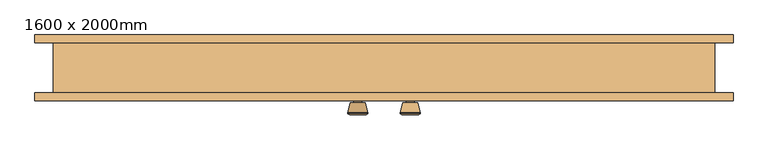
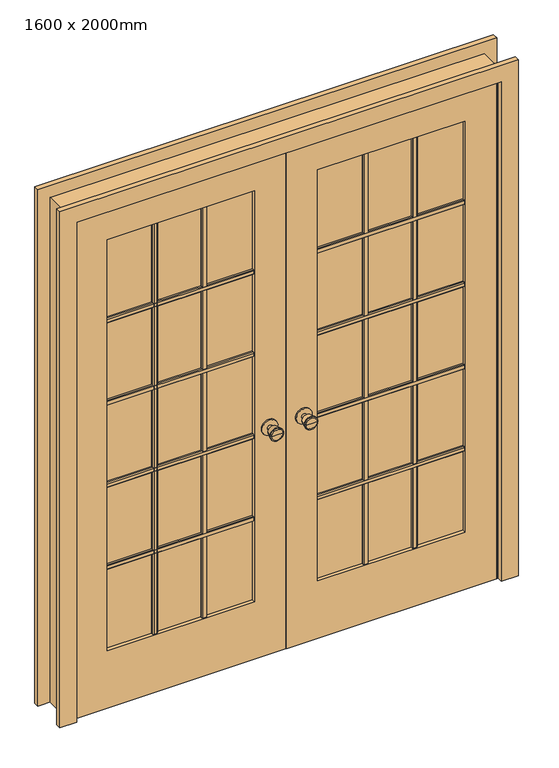
"""IFC4 building model written with IfcOpenShell, lengths in millimetres: door geometry, 1600 x 2000mm."""

from ifc_helpers import new_model, si_unit, point, frame, frame_2d, origin, place, context, project, spatial, polyline, circle_curve, trimmed, segment, composite_curve, outline, extrude, faceted_brep, source, transform, mapped, element, save
from ifc_brep_helpers import plane_surface, cylinder_surface, revolved_surface, advanced_brep


def door_1600_x_2000mm_1e679893(model_context):
    return source(origin(), model_context, "Body", "SolidModel", [
        advanced_brep(
        [(-65.0, -64.825, 914.4), (-55.0, -64.825, 914.4), (-75.0, -64.825, 914.4), (-85.4758676, -113.825, 914.4), (-44.5241324, -113.825, 914.4), (-65.0, -113.825, 914.4), (-90.0, -111.9971319, 914.4), (-40.0, -111.9971319, 914.4), (-90.0, -108.5334537, 914.4), (-40.0, -108.5334537, 914.4), (-83.636236, -83.825, 914.4), (-46.363764, -83.825, 914.4), (-75.0, -83.825, 914.4), (-55.0, -83.825, 914.4)],
        [
            (0, 1),
            (1, 2, circle_curve(frame((-65.0, -64.825, 914.4), z_axis=(0.0, 1.0, 0.0), x_axis=(1.0, 0.0, 0.0)), 10.0)),
            (2, 0),
            (2, 1, circle_curve(frame((-65.0, -64.825, 914.4), z_axis=(0.0, 1.0, 0.0), x_axis=(1.0, 0.0, 0.0)), 10.0)),
            (3, 4, circle_curve(frame((-65.0, -113.825, 914.4), z_axis=(0.0, -1.0, 0.0), x_axis=(1.0, 0.0, 0.0)), 20.4758676)),
            (4, 5),
            (5, 3),
            (4, 3, circle_curve(frame((-65.0, -113.825, 914.4), z_axis=(0.0, -1.0, 0.0), x_axis=(1.0, 0.0, 0.0)), 20.4758676)),
            (6, 7, circle_curve(frame((-65.0, -111.9971319, 914.4), z_axis=(0.0, -1.0, 0.0), x_axis=(1.0, 0.0, 0.0)), 25.0)),
            (7, 4),
            (3, 6),
            (7, 6, circle_curve(frame((-65.0, -111.9971319, 914.4), z_axis=(0.0, -1.0, 0.0), x_axis=(1.0, 0.0, 0.0)), 25.0)),
            (8, 9, circle_curve(frame((-65.0, -108.5334537, 914.4), z_axis=(0.0, -1.0, 0.0), x_axis=(1.0, 0.0, 0.0)), 25.0)),
            (9, 7),
            (6, 8),
            (9, 8, circle_curve(frame((-65.0, -108.5334537, 914.4), z_axis=(0.0, -1.0, 0.0), x_axis=(1.0, 0.0, 0.0)), 25.0)),
            (10, 11, circle_curve(frame((-65.0, -83.825, 914.4), z_axis=(0.0, -1.0, 0.0), x_axis=(1.0, 0.0, 0.0)), 18.636236)),
            (11, 9),
            (8, 10),
            (11, 10, circle_curve(frame((-65.0, -83.825, 914.4), z_axis=(0.0, -1.0, 0.0), x_axis=(1.0, 0.0, 0.0)), 18.636236)),
            (12, 13, circle_curve(frame((-65.0, -83.825, 914.4), z_axis=(0.0, -1.0, 0.0), x_axis=(1.0, 0.0, 0.0)), 10.0)),
            (13, 11),
            (10, 12),
            (13, 12, circle_curve(frame((-65.0, -83.825, 914.4), z_axis=(0.0, -1.0, 0.0), x_axis=(1.0, 0.0, 0.0)), 10.0)),
            (1, 13),
            (12, 2),
        ],
        [
            plane_surface(frame((-65.0, -64.825, 914.4), z_axis=(0.0, 1.0, 0.0), x_axis=(1.0, 0.0, 0.0))),
            plane_surface(frame((-65.0, -113.825, 914.4), z_axis=(0.0, -1.0, 0.0), x_axis=(1.0, 0.0, 0.0))),
            revolved_surface(polyline([(-44.5241324, -113.825, 914.4), (-40.0, -111.9971319, 914.4)]), (-65.0, -64.825, 914.4), (0.0, 1.0, 0.0)),
            cylinder_surface(frame((-65.0, -64.825, 914.4), z_axis=(0.0, 1.0, 0.0), x_axis=(1.0, 0.0, 0.0)), 25.0),
            revolved_surface(polyline([(-40.0, -108.5334537, 914.4), (-46.363764, -83.825, 914.4)]), (-65.0, -64.825, 914.4), (0.0, 1.0, 0.0)),
            plane_surface(frame((-65.0, -83.825, 914.4), z_axis=(0.0, 1.0, 0.0), x_axis=(1.0, 0.0, 0.0))),
            cylinder_surface(frame((-65.0, -64.825, 914.4), z_axis=(0.0, 1.0, 0.0), x_axis=(1.0, 0.0, 0.0)), 10.0),
        ],
        [
            (0, [[1, 2, 3]]),
            (0, [[-3, 4, -1]]),
            (1, [[5, 6, 7]]),
            (1, [[8, -7, -6]]),
            (2, [[9, 10, -5, 11]]),
            (2, [[12, -11, -8, -10]]),
            (3, [[13, 14, -9, 15]]),
            (3, [[16, -15, -12, -14]]),
            (4, [[17, 18, -13, 19]]),
            (4, [[20, -19, -16, -18]]),
            (5, [[21, 22, -17, 23]]),
            (5, [[24, -23, -20, -22]]),
            (6, [[-2, 25, -21, 26]]),
            (6, [[-4, -26, -24, -25]]),
        ],
    ),
        extrude(outline(composite_curve([segment(trimmed(circle_curve(frame_2d((914.4, -65.0)), 30.0), [point((914.4, -35.0))], [point((914.4, -95.0))], False, "CARTESIAN"), True, "CONTINUOUS"), segment(trimmed(circle_curve(frame_2d((914.4, -65.0)), 30.0), [point((914.4, -95.0))], [point((914.4, -35.0))], False, "CARTESIAN"), True, "CONTINUOUS")], self_intersect=False)), frame((0.0, -64.825, 0.0), z_axis=(0.0, 1.0, 0.0), x_axis=(0.0, 0.0, 1.0)), (0.0, 0.0, 1.0), 6.0),
        advanced_brep(
        [(-65.0, -17.825, 914.4), (-75.0, -17.825, 914.4), (-55.0, -17.825, 914.4), (-85.4758676, 31.175, 914.4), (-65.0, 31.175, 914.4), (-44.5241324, 31.175, 914.4), (-90.0, 29.3471319, 914.4), (-40.0, 29.3471319, 914.4), (-90.0, 25.8834537, 914.4), (-40.0, 25.8834537, 914.4), (-83.636236, 1.175, 914.4), (-46.363764, 1.175, 914.4), (-75.0, 1.175, 914.4), (-55.0, 1.175, 914.4)],
        [
            (0, 1),
            (1, 2, circle_curve(frame((-65.0, -17.825, 914.4), z_axis=(0.0, -1.0, 0.0), x_axis=(1.0, 0.0, 0.0)), 10.0)),
            (2, 0),
            (2, 1, circle_curve(frame((-65.0, -17.825, 914.4), z_axis=(0.0, -1.0, 0.0), x_axis=(1.0, 0.0, 0.0)), 10.0)),
            (3, 4),
            (4, 5),
            (5, 3, circle_curve(frame((-65.0, 31.175, 914.4), z_axis=(0.0, 1.0, 0.0), x_axis=(1.0, 0.0, 0.0)), 20.4758676)),
            (3, 5, circle_curve(frame((-65.0, 31.175, 914.4), z_axis=(0.0, 1.0, 0.0), x_axis=(1.0, 0.0, 0.0)), 20.4758676)),
            (6, 3),
            (5, 7),
            (7, 6, circle_curve(frame((-65.0, 29.3471319, 914.4), z_axis=(0.0, 1.0, 0.0), x_axis=(1.0, 0.0, 0.0)), 25.0)),
            (6, 7, circle_curve(frame((-65.0, 29.3471319, 914.4), z_axis=(0.0, 1.0, 0.0), x_axis=(1.0, 0.0, 0.0)), 25.0)),
            (8, 6),
            (7, 9),
            (9, 8, circle_curve(frame((-65.0, 25.8834537, 914.4), z_axis=(0.0, 1.0, 0.0), x_axis=(1.0, 0.0, 0.0)), 25.0)),
            (8, 9, circle_curve(frame((-65.0, 25.8834537, 914.4), z_axis=(0.0, 1.0, 0.0), x_axis=(1.0, 0.0, 0.0)), 25.0)),
            (10, 8),
            (9, 11),
            (11, 10, circle_curve(frame((-65.0, 1.175, 914.4), z_axis=(0.0, 1.0, 0.0), x_axis=(1.0, 0.0, 0.0)), 18.636236)),
            (10, 11, circle_curve(frame((-65.0, 1.175, 914.4), z_axis=(0.0, 1.0, 0.0), x_axis=(1.0, 0.0, 0.0)), 18.636236)),
            (12, 10),
            (11, 13),
            (13, 12, circle_curve(frame((-65.0, 1.175, 914.4), z_axis=(0.0, 1.0, 0.0), x_axis=(1.0, 0.0, 0.0)), 10.0)),
            (12, 13, circle_curve(frame((-65.0, 1.175, 914.4), z_axis=(0.0, 1.0, 0.0), x_axis=(1.0, 0.0, 0.0)), 10.0)),
            (1, 12),
            (13, 2),
        ],
        [
            plane_surface(frame((-65.0, -17.825, 914.4), z_axis=(0.0, -1.0, 0.0), x_axis=(1.0, 0.0, 0.0))),
            plane_surface(frame((-65.0, 31.175, 914.4), z_axis=(0.0, 1.0, 0.0), x_axis=(1.0, 0.0, 0.0))),
            revolved_surface(polyline([(-44.5241324, 31.175, 914.4), (-40.0, 29.3471319, 914.4)]), (-65.0, -17.825, 914.4), (0.0, -1.0, 0.0)),
            cylinder_surface(frame((-65.0, -17.825, 914.4), z_axis=(0.0, -1.0, 0.0), x_axis=(1.0, 0.0, 0.0)), 25.0),
            revolved_surface(polyline([(-40.0, 25.8834537, 914.4), (-46.363764, 1.175, 914.4)]), (-65.0, -17.825, 914.4), (0.0, -1.0, 0.0)),
            plane_surface(frame((-65.0, 1.175, 914.4), z_axis=(0.0, -1.0, 0.0), x_axis=(1.0, 0.0, 0.0))),
            cylinder_surface(frame((-65.0, -17.825, 914.4), z_axis=(0.0, -1.0, 0.0), x_axis=(1.0, 0.0, 0.0)), 10.0),
        ],
        [
            (0, [[1, 2, 3]]),
            (0, [[-3, 4, -1]]),
            (1, [[5, 6, 7]]),
            (1, [[-6, -5, 8]]),
            (2, [[9, -7, 10, 11]]),
            (2, [[-10, -8, -9, 12]]),
            (3, [[13, -11, 14, 15]]),
            (3, [[-14, -12, -13, 16]]),
            (4, [[17, -15, 18, 19]]),
            (4, [[-18, -16, -17, 20]]),
            (5, [[21, -19, 22, 23]]),
            (5, [[-22, -20, -21, 24]]),
            (6, [[25, -23, 26, -2]]),
            (6, [[-26, -24, -25, -4]]),
        ],
    ),
        extrude(outline(composite_curve([segment(trimmed(circle_curve(frame_2d((914.4, -65.0)), 30.0), [point((914.4, -35.0))], [point((914.4, -95.0))], False, "CARTESIAN"), True, "CONTINUOUS"), segment(trimmed(circle_curve(frame_2d((914.4, -65.0)), 30.0), [point((914.4, -95.0))], [point((914.4, -35.0))], False, "CARTESIAN"), True, "CONTINUOUS")], self_intersect=False)), frame((0.0, -23.825, 0.0), z_axis=(0.0, 1.0, 0.0), x_axis=(0.0, 0.0, 1.0)), (0.0, 0.0, 1.0), 6.0),
        extrude(outline(polyline([(-37.825, 1559.525), (-31.475, 1559.525), (-28.3, 1556.35), (-28.3, 1543.65), (-31.475, 1540.475), (-37.825, 1540.475), (-37.825, 1559.525)])), frame((120.0, 0.0, 0.0), z_axis=(1.0, 0.0, 0.0), x_axis=(0.0, 1.0, 0.0)), (0.0, 0.0, 1.0), 560.0),
        extrude(outline(polyline([(-37.825, 1229.525), (-31.475, 1229.525), (-28.3, 1226.35), (-28.3, 1213.65), (-31.475, 1210.475), (-37.825, 1210.475), (-37.825, 1229.525)])), frame((120.0, 0.0, 0.0), z_axis=(1.0, 0.0, 0.0), x_axis=(0.0, 1.0, 0.0)), (0.0, 0.0, 1.0), 560.0),
        extrude(outline(polyline([(-37.825, 899.525), (-31.475, 899.525), (-28.3, 896.35), (-28.3, 883.65), (-31.475, 880.475), (-37.825, 880.475), (-37.825, 899.525)])), frame((120.0, 0.0, 0.0), z_axis=(1.0, 0.0, 0.0), x_axis=(0.0, 1.0, 0.0)), (0.0, 0.0, 1.0), 560.0),
        extrude(outline(polyline([(-37.825, 569.525), (-31.475, 569.525), (-28.3, 566.35), (-28.3, 553.65), (-31.475, 550.475), (-37.825, 550.475), (-37.825, 569.525)])), frame((120.0, 0.0, 0.0), z_axis=(1.0, 0.0, 0.0), x_axis=(0.0, 1.0, 0.0)), (0.0, 0.0, 1.0), 560.0),
        extrude(outline(polyline([(483.8083333, -37.825), (483.8083333, -31.475), (486.9833333, -28.3), (499.6833333, -28.3), (502.8583333, -31.475), (502.8583333, -37.825), (483.8083333, -37.825)])), frame((0.0, 0.0, 230.0), z_axis=(0.0, 0.0, 1.0), x_axis=(1.0, 0.0, 0.0)), (0.0, 0.0, 1.0), 1650.0),
        extrude(outline(polyline([(297.1416667, -37.825), (297.1416667, -31.475), (300.3166667, -28.3), (313.0166667, -28.3), (316.1916667, -31.475), (316.1916667, -37.825), (297.1416667, -37.825)])), frame((0.0, 0.0, 230.0), z_axis=(0.0, 0.0, 1.0), x_axis=(1.0, 0.0, 0.0)), (0.0, 0.0, 1.0), 1650.0),
        extrude(outline(polyline([(-44.825, 1559.525), (-44.825, 1540.475), (-51.175, 1540.475), (-54.35, 1543.65), (-54.35, 1556.35), (-51.175, 1559.525), (-44.825, 1559.525)])), frame((-680.0, 0.0, 0.0), z_axis=(1.0, 0.0, 0.0), x_axis=(0.0, 1.0, 0.0)), (0.0, 0.0, 1.0), 560.0),
        extrude(outline(polyline([(-44.825, 1229.525), (-44.825, 1210.475), (-51.175, 1210.475), (-54.35, 1213.65), (-54.35, 1226.35), (-51.175, 1229.525), (-44.825, 1229.525)])), frame((-680.0, 0.0, 0.0), z_axis=(1.0, 0.0, 0.0), x_axis=(0.0, 1.0, 0.0)), (0.0, 0.0, 1.0), 560.0),
        extrude(outline(polyline([(-44.825, 899.525), (-44.825, 880.475), (-51.175, 880.475), (-54.35, 883.65), (-54.35, 896.35), (-51.175, 899.525), (-44.825, 899.525)])), frame((-680.0, 0.0, 0.0), z_axis=(1.0, 0.0, 0.0), x_axis=(0.0, 1.0, 0.0)), (0.0, 0.0, 1.0), 560.0),
        extrude(outline(polyline([(-44.825, 569.525), (-44.825, 550.475), (-51.175, 550.475), (-54.35, 553.65), (-54.35, 566.35), (-51.175, 569.525), (-44.825, 569.525)])), frame((-680.0, 0.0, 0.0), z_axis=(1.0, 0.0, 0.0), x_axis=(0.0, 1.0, 0.0)), (0.0, 0.0, 1.0), 560.0),
        extrude(outline(polyline([(-316.1916667, -44.825), (-297.1416667, -44.825), (-297.1416667, -51.175), (-300.3166667, -54.35), (-313.0166667, -54.35), (-316.1916667, -51.175), (-316.1916667, -44.825)])), frame((0.0, 0.0, 230.0), z_axis=(0.0, 0.0, 1.0), x_axis=(1.0, 0.0, 0.0)), (0.0, 0.0, 1.0), 1650.0),
        extrude(outline(polyline([(-502.8583333, -44.825), (-483.8083333, -44.825), (-483.8083333, -51.175), (-486.9833333, -54.35), (-499.6833333, -54.35), (-502.8583333, -51.175), (-502.8583333, -44.825)])), frame((0.0, 0.0, 230.0), z_axis=(0.0, 0.0, 1.0), x_axis=(1.0, 0.0, 0.0)), (0.0, 0.0, 1.0), 1650.0),
        extrude(outline(polyline([(-44.825, 1559.525), (-44.825, 1540.475), (-51.175, 1540.475), (-54.35, 1543.65), (-54.35, 1556.35), (-51.175, 1559.525), (-44.825, 1559.525)])), frame((120.0, 0.0, 0.0), z_axis=(1.0, 0.0, 0.0), x_axis=(0.0, 1.0, 0.0)), (0.0, 0.0, 1.0), 560.0),
        extrude(outline(polyline([(-44.825, 1229.525), (-44.825, 1210.475), (-51.175, 1210.475), (-54.35, 1213.65), (-54.35, 1226.35), (-51.175, 1229.525), (-44.825, 1229.525)])), frame((120.0, 0.0, 0.0), z_axis=(1.0, 0.0, 0.0), x_axis=(0.0, 1.0, 0.0)), (0.0, 0.0, 1.0), 560.0),
        extrude(outline(polyline([(-44.825, 899.525), (-44.825, 880.475), (-51.175, 880.475), (-54.35, 883.65), (-54.35, 896.35), (-51.175, 899.525), (-44.825, 899.525)])), frame((120.0, 0.0, 0.0), z_axis=(1.0, 0.0, 0.0), x_axis=(0.0, 1.0, 0.0)), (0.0, 0.0, 1.0), 560.0),
        extrude(outline(polyline([(-44.825, 569.525), (-44.825, 550.475), (-51.175, 550.475), (-54.35, 553.65), (-54.35, 566.35), (-51.175, 569.525), (-44.825, 569.525)])), frame((120.0, 0.0, 0.0), z_axis=(1.0, 0.0, 0.0), x_axis=(0.0, 1.0, 0.0)), (0.0, 0.0, 1.0), 560.0),
        extrude(outline(polyline([(483.8083333, -44.825), (502.8583333, -44.825), (502.8583333, -51.175), (499.6833333, -54.35), (486.9833333, -54.35), (483.8083333, -51.175), (483.8083333, -44.825)])), frame((0.0, 0.0, 230.0), z_axis=(0.0, 0.0, 1.0), x_axis=(1.0, 0.0, 0.0)), (0.0, 0.0, 1.0), 1650.0),
        extrude(outline(polyline([(297.1416667, -44.825), (316.1916667, -44.825), (316.1916667, -51.175), (313.0166667, -54.35), (300.3166667, -54.35), (297.1416667, -51.175), (297.1416667, -44.825)])), frame((0.0, 0.0, 230.0), z_axis=(0.0, 0.0, 1.0), x_axis=(1.0, 0.0, 0.0)), (0.0, 0.0, 1.0), 1650.0),
        extrude(outline(polyline([(-37.825, 1559.525), (-31.475, 1559.525), (-28.3, 1556.35), (-28.3, 1543.65), (-31.475, 1540.475), (-37.825, 1540.475), (-37.825, 1559.525)])), frame((-680.0, 0.0, 0.0), z_axis=(1.0, 0.0, 0.0), x_axis=(0.0, 1.0, 0.0)), (0.0, 0.0, 1.0), 560.0),
        extrude(outline(polyline([(-37.825, 1229.525), (-31.475, 1229.525), (-28.3, 1226.35), (-28.3, 1213.65), (-31.475, 1210.475), (-37.825, 1210.475), (-37.825, 1229.525)])), frame((-680.0, 0.0, 0.0), z_axis=(1.0, 0.0, 0.0), x_axis=(0.0, 1.0, 0.0)), (0.0, 0.0, 1.0), 560.0),
        extrude(outline(polyline([(-37.825, 899.525), (-31.475, 899.525), (-28.3, 896.35), (-28.3, 883.65), (-31.475, 880.475), (-37.825, 880.475), (-37.825, 899.525)])), frame((-680.0, 0.0, 0.0), z_axis=(1.0, 0.0, 0.0), x_axis=(0.0, 1.0, 0.0)), (0.0, 0.0, 1.0), 560.0),
        extrude(outline(polyline([(-37.825, 569.525), (-31.475, 569.525), (-28.3, 566.35), (-28.3, 553.65), (-31.475, 550.475), (-37.825, 550.475), (-37.825, 569.525)])), frame((-680.0, 0.0, 0.0), z_axis=(1.0, 0.0, 0.0), x_axis=(0.0, 1.0, 0.0)), (0.0, 0.0, 1.0), 560.0),
        extrude(outline(polyline([(-316.1916667, -37.825), (-316.1916667, -31.475), (-313.0166667, -28.3), (-300.3166667, -28.3), (-297.1416667, -31.475), (-297.1416667, -37.825), (-316.1916667, -37.825)])), frame((0.0, 0.0, 230.0), z_axis=(0.0, 0.0, 1.0), x_axis=(1.0, 0.0, 0.0)), (0.0, 0.0, 1.0), 1650.0),
        extrude(outline(polyline([(-502.8583333, -37.825), (-502.8583333, -31.475), (-499.6833333, -28.3), (-486.9833333, -28.3), (-483.8083333, -31.475), (-483.8083333, -37.825), (-502.8583333, -37.825)])), frame((0.0, 0.0, 230.0), z_axis=(0.0, 0.0, 1.0), x_axis=(1.0, 0.0, 0.0)), (0.0, 0.0, 1.0), 1650.0),
        advanced_brep(
        [(65.0, -17.825, 914.4), (55.0, -17.825, 914.4), (75.0, -17.825, 914.4), (85.4758676, 31.175, 914.4), (44.5241324, 31.175, 914.4), (65.0, 31.175, 914.4), (90.0, 29.3471319, 914.4), (40.0, 29.3471319, 914.4), (90.0, 25.8834537, 914.4), (40.0, 25.8834537, 914.4), (83.636236, 1.175, 914.4), (46.363764, 1.175, 914.4), (75.0, 1.175, 914.4), (55.0, 1.175, 914.4)],
        [
            (0, 1),
            (1, 2, circle_curve(frame((65.0, -17.825, 914.4), z_axis=(0.0, -1.0, 0.0), x_axis=(-1.0, 0.0, 0.0)), 10.0)),
            (2, 0),
            (2, 1, circle_curve(frame((65.0, -17.825, 914.4), z_axis=(0.0, -1.0, 0.0), x_axis=(-1.0, 0.0, 0.0)), 10.0)),
            (3, 4, circle_curve(frame((65.0, 31.175, 914.4), z_axis=(0.0, 1.0, 0.0), x_axis=(-1.0, 0.0, 0.0)), 20.4758676)),
            (4, 5),
            (5, 3),
            (4, 3, circle_curve(frame((65.0, 31.175, 914.4), z_axis=(0.0, 1.0, 0.0), x_axis=(-1.0, 0.0, 0.0)), 20.4758676)),
            (6, 7, circle_curve(frame((65.0, 29.3471319, 914.4), z_axis=(0.0, 1.0, 0.0), x_axis=(-1.0, 0.0, 0.0)), 25.0)),
            (7, 4),
            (3, 6),
            (7, 6, circle_curve(frame((65.0, 29.3471319, 914.4), z_axis=(0.0, 1.0, 0.0), x_axis=(-1.0, 0.0, 0.0)), 25.0)),
            (8, 9, circle_curve(frame((65.0, 25.8834537, 914.4), z_axis=(0.0, 1.0, 0.0), x_axis=(-1.0, 0.0, 0.0)), 25.0)),
            (9, 7),
            (6, 8),
            (9, 8, circle_curve(frame((65.0, 25.8834537, 914.4), z_axis=(0.0, 1.0, 0.0), x_axis=(-1.0, 0.0, 0.0)), 25.0)),
            (10, 11, circle_curve(frame((65.0, 1.175, 914.4), z_axis=(0.0, 1.0, 0.0), x_axis=(-1.0, 0.0, 0.0)), 18.636236)),
            (11, 9),
            (8, 10),
            (11, 10, circle_curve(frame((65.0, 1.175, 914.4), z_axis=(0.0, 1.0, 0.0), x_axis=(-1.0, 0.0, 0.0)), 18.636236)),
            (12, 13, circle_curve(frame((65.0, 1.175, 914.4), z_axis=(0.0, 1.0, 0.0), x_axis=(-1.0, 0.0, 0.0)), 10.0)),
            (13, 11),
            (10, 12),
            (13, 12, circle_curve(frame((65.0, 1.175, 914.4), z_axis=(0.0, 1.0, 0.0), x_axis=(-1.0, 0.0, 0.0)), 10.0)),
            (1, 13),
            (12, 2),
        ],
        [
            plane_surface(frame((65.0, -17.825, 914.4), z_axis=(0.0, -1.0, 0.0), x_axis=(-1.0, 0.0, 0.0))),
            plane_surface(frame((65.0, 31.175, 914.4), z_axis=(0.0, 1.0, 0.0), x_axis=(-1.0, 0.0, 0.0))),
            revolved_surface(polyline([(44.5241324, 31.175, 914.4), (40.0, 29.3471319, 914.4)]), (65.0, -17.825, 914.4), (0.0, -1.0, 0.0)),
            cylinder_surface(frame((65.0, -17.825, 914.4), z_axis=(0.0, -1.0, 0.0), x_axis=(-1.0, 0.0, 0.0)), 25.0),
            revolved_surface(polyline([(40.0, 25.8834537, 914.4), (46.363764, 1.175, 914.4)]), (65.0, -17.825, 914.4), (0.0, -1.0, 0.0)),
            plane_surface(frame((65.0, 1.175, 914.4), z_axis=(0.0, -1.0, 0.0), x_axis=(-1.0, 0.0, 0.0))),
            cylinder_surface(frame((65.0, -17.825, 914.4), z_axis=(0.0, -1.0, 0.0), x_axis=(-1.0, 0.0, 0.0)), 10.0),
        ],
        [
            (0, [[1, 2, 3]]),
            (0, [[-3, 4, -1]]),
            (1, [[5, 6, 7]]),
            (1, [[8, -7, -6]]),
            (2, [[9, 10, -5, 11]]),
            (2, [[12, -11, -8, -10]]),
            (3, [[13, 14, -9, 15]]),
            (3, [[16, -15, -12, -14]]),
            (4, [[17, 18, -13, 19]]),
            (4, [[20, -19, -16, -18]]),
            (5, [[21, 22, -17, 23]]),
            (5, [[24, -23, -20, -22]]),
            (6, [[-2, 25, -21, 26]]),
            (6, [[-4, -26, -24, -25]]),
        ],
    ),
        extrude(outline(composite_curve([segment(trimmed(circle_curve(frame_2d((914.4, 65.0)), 30.0), [point((914.4, 35.0))], [point((914.4, 95.0))], False, "CARTESIAN"), True, "CONTINUOUS"), segment(trimmed(circle_curve(frame_2d((914.4, 65.0)), 30.0), [point((914.4, 95.0))], [point((914.4, 35.0))], False, "CARTESIAN"), True, "CONTINUOUS")], self_intersect=False)), frame((0.0, -23.825, 0.0), z_axis=(0.0, 1.0, 0.0), x_axis=(0.0, 0.0, 1.0)), (0.0, 0.0, 1.0), 6.0),
        advanced_brep(
        [(65.0, -64.825, 914.4), (75.0, -64.825, 914.4), (55.0, -64.825, 914.4), (85.4758676, -113.825, 914.4), (65.0, -113.825, 914.4), (44.5241324, -113.825, 914.4), (90.0, -111.9971319, 914.4), (40.0, -111.9971319, 914.4), (90.0, -108.5334537, 914.4), (40.0, -108.5334537, 914.4), (83.636236, -83.825, 914.4), (46.363764, -83.825, 914.4), (75.0, -83.825, 914.4), (55.0, -83.825, 914.4)],
        [
            (0, 1),
            (1, 2, circle_curve(frame((65.0, -64.825, 914.4), z_axis=(0.0, 1.0, 0.0), x_axis=(-1.0, 0.0, 0.0)), 10.0)),
            (2, 0),
            (2, 1, circle_curve(frame((65.0, -64.825, 914.4), z_axis=(0.0, 1.0, 0.0), x_axis=(-1.0, 0.0, 0.0)), 10.0)),
            (3, 4),
            (4, 5),
            (5, 3, circle_curve(frame((65.0, -113.825, 914.4), z_axis=(0.0, -1.0, 0.0), x_axis=(-1.0, 0.0, 0.0)), 20.4758676)),
            (3, 5, circle_curve(frame((65.0, -113.825, 914.4), z_axis=(0.0, -1.0, 0.0), x_axis=(-1.0, 0.0, 0.0)), 20.4758676)),
            (6, 3),
            (5, 7),
            (7, 6, circle_curve(frame((65.0, -111.9971319, 914.4), z_axis=(0.0, -1.0, 0.0), x_axis=(-1.0, 0.0, 0.0)), 25.0)),
            (6, 7, circle_curve(frame((65.0, -111.9971319, 914.4), z_axis=(0.0, -1.0, 0.0), x_axis=(-1.0, 0.0, 0.0)), 25.0)),
            (8, 6),
            (7, 9),
            (9, 8, circle_curve(frame((65.0, -108.5334537, 914.4), z_axis=(0.0, -1.0, 0.0), x_axis=(-1.0, 0.0, 0.0)), 25.0)),
            (8, 9, circle_curve(frame((65.0, -108.5334537, 914.4), z_axis=(0.0, -1.0, 0.0), x_axis=(-1.0, 0.0, 0.0)), 25.0)),
            (10, 8),
            (9, 11),
            (11, 10, circle_curve(frame((65.0, -83.825, 914.4), z_axis=(0.0, -1.0, 0.0), x_axis=(-1.0, 0.0, 0.0)), 18.636236)),
            (10, 11, circle_curve(frame((65.0, -83.825, 914.4), z_axis=(0.0, -1.0, 0.0), x_axis=(-1.0, 0.0, 0.0)), 18.636236)),
            (12, 10),
            (11, 13),
            (13, 12, circle_curve(frame((65.0, -83.825, 914.4), z_axis=(0.0, -1.0, 0.0), x_axis=(-1.0, 0.0, 0.0)), 10.0)),
            (12, 13, circle_curve(frame((65.0, -83.825, 914.4), z_axis=(0.0, -1.0, 0.0), x_axis=(-1.0, 0.0, 0.0)), 10.0)),
            (1, 12),
            (13, 2),
        ],
        [
            plane_surface(frame((65.0, -64.825, 914.4), z_axis=(0.0, 1.0, 0.0), x_axis=(-1.0, 0.0, 0.0))),
            plane_surface(frame((65.0, -113.825, 914.4), z_axis=(0.0, -1.0, 0.0), x_axis=(-1.0, 0.0, 0.0))),
            revolved_surface(polyline([(44.5241324, -113.825, 914.4), (40.0, -111.9971319, 914.4)]), (65.0, -64.825, 914.4), (0.0, 1.0, 0.0)),
            cylinder_surface(frame((65.0, -64.825, 914.4), z_axis=(0.0, 1.0, 0.0), x_axis=(-1.0, 0.0, 0.0)), 25.0),
            revolved_surface(polyline([(40.0, -108.5334537, 914.4), (46.363764, -83.825, 914.4)]), (65.0, -64.825, 914.4), (0.0, 1.0, 0.0)),
            plane_surface(frame((65.0, -83.825, 914.4), z_axis=(0.0, 1.0, 0.0), x_axis=(-1.0, 0.0, 0.0))),
            cylinder_surface(frame((65.0, -64.825, 914.4), z_axis=(0.0, 1.0, 0.0), x_axis=(-1.0, 0.0, 0.0)), 10.0),
        ],
        [
            (0, [[1, 2, 3]]),
            (0, [[-3, 4, -1]]),
            (1, [[5, 6, 7]]),
            (1, [[-6, -5, 8]]),
            (2, [[9, -7, 10, 11]]),
            (2, [[-10, -8, -9, 12]]),
            (3, [[13, -11, 14, 15]]),
            (3, [[-14, -12, -13, 16]]),
            (4, [[17, -15, 18, 19]]),
            (4, [[-18, -16, -17, 20]]),
            (5, [[21, -19, 22, 23]]),
            (5, [[-22, -20, -21, 24]]),
            (6, [[25, -23, 26, -2]]),
            (6, [[-26, -24, -25, -4]]),
        ],
    ),
        extrude(outline(composite_curve([segment(trimmed(circle_curve(frame_2d((914.4, 65.0)), 30.0), [point((914.4, 35.0))], [point((914.4, 95.0))], False, "CARTESIAN"), True, "CONTINUOUS"), segment(trimmed(circle_curve(frame_2d((914.4, 65.0)), 30.0), [point((914.4, 95.0))], [point((914.4, 35.0))], False, "CARTESIAN"), True, "CONTINUOUS")], self_intersect=False)), frame((0.0, -64.825, 0.0), z_axis=(0.0, 1.0, 0.0), x_axis=(0.0, 0.0, 1.0)), (0.0, 0.0, 1.0), 6.0),
        extrude(outline(polyline([(0.0, 871.35), (2071.35, 871.35), (2071.35, -871.35), (0.0, -871.35), (0.0, -806.35), (2006.35, -806.35), (2006.35, 806.35), (0.0, 806.35), (0.0, 871.35)])), frame((0.0, -78.825, 0.0), z_axis=(0.0, 1.0, 0.0), x_axis=(0.0, 0.0, 1.0)), (0.0, 0.0, 1.0), 20.0),
        extrude(outline(polyline([(0.0, 871.35), (2071.35, 871.35), (2071.35, -871.35), (0.0, -871.35), (0.0, -806.35), (2006.35, -806.35), (2006.35, 806.35), (0.0, 806.35), (0.0, 871.35)])), frame((0.0, 65.175, 0.0), z_axis=(0.0, 1.0, 0.0), x_axis=(0.0, 0.0, 1.0)), (0.0, 0.0, 1.0), 20.0),
        extrude(outline(polyline([(0.0, -800.0), (0.0, -1.6019111), (2000.0, -1.6019111), (2000.0, -800.0), (0.0, -800.0)]), holes=[polyline([(230.0, -680.0), (1880.0, -680.0), (1880.0, -120.0), (230.0, -120.0), (230.0, -680.0)])]), frame((0.0, -58.825, 0.0), z_axis=(0.0, 1.0, 0.0), x_axis=(0.0, 0.0, 1.0)), (0.0, 0.0, 1.0), 35.0),
        extrude(outline(polyline([(2000.0, 800.0), (2000.0, 1.5875), (0.0, 1.5875), (0.0, 800.0), (2000.0, 800.0)]), holes=[polyline([(1880.0, 120.0), (1880.0, 680.0), (230.0, 680.0), (230.0, 120.0), (1880.0, 120.0)])]), frame((0.0, -58.825, 0.0), z_axis=(0.0, 1.0, 0.0), x_axis=(0.0, 0.0, 1.0)), (0.0, 0.0, 1.0), 35.0),
        faceted_brep([(825.0, -58.825, 0.0), (800.0, -58.825, 0.0), (800.0, -23.825, 0.0), (787.3, -23.825, 0.0), (787.3, 11.1, 0.0), (800.0, 11.1, 0.0), (800.0, 65.175, 0.0), (825.0, 65.175, 0.0), (825.0, 65.175, 2025.0), (825.0, -58.825, 2025.0), (800.0, 65.175, 2000.0), (-800.0, 65.175, 2000.0), (-800.0, 65.175, 0.0), (-825.0, 65.175, 0.0), (-825.0, 65.175, 2025.0), (800.0, 11.1, 2000.0), (787.3, 11.1, 1987.3), (-787.3, 11.1, 1987.3), (-787.3, 11.1, 0.0), (-800.0, 11.1, 0.0), (-800.0, 11.1, 2000.0), (787.3, -23.825, 1987.3), (800.0, -23.825, 2000.0), (1.5875, -23.825, 2000.0), (-1.6019111, -23.825, 2000.0), (-800.0, -23.825, 2000.0), (-800.0, -23.825, 0.0), (-787.3, -23.825, 0.0), (-787.3, -23.825, 1987.3), (-1.6019111, -23.825, 1987.3), (1.5875, -23.825, 1987.3), (800.0, -58.825, 2000.0), (-825.0, -58.825, 2025.0), (-825.0, -58.825, 0.0), (-800.0, -58.825, 0.0), (-800.0, -58.825, 2000.0), (-1.6019111, -58.825, 2000.0), (1.5875, -58.825, 2000.0)], [[[0, 1, 2, 3, 4, 5, 6, 7]], [[7, 8, 9, 0]], [[6, 10, 11, 12, 13, 14, 8, 7]], [[5, 15, 10, 6]], [[4, 16, 17, 18, 19, 20, 15, 5]], [[3, 21, 16, 4]], [[2, 22, 23, 24, 25, 26, 27, 28, 29, 30, 21, 3]], [[1, 31, 22, 2]], [[0, 9, 32, 33, 34, 35, 36, 37, 31, 1]], [[8, 14, 32, 9]], [[10, 15, 20, 11]], [[16, 21, 30, 29, 28, 17]], [[31, 37, 36, 35, 25, 24, 23, 22]], [[12, 19, 18, 27, 26, 34, 33, 13]], [[13, 33, 32, 14]], [[11, 20, 19, 12]], [[17, 28, 27, 18]], [[25, 35, 34, 26]]]),
        extrude(outline(polyline([(680.0, -37.825), (680.0, -44.825), (120.0, -44.825), (120.0, -37.825), (680.0, -37.825)])), frame((0.0, 0.0, 230.0), z_axis=(0.0, 0.0, 1.0), x_axis=(1.0, 0.0, 0.0)), (0.0, 0.0, 1.0), 1650.0),
        extrude(outline(polyline([(-120.0, -37.825), (-120.0, -44.825), (-680.0, -44.825), (-680.0, -37.825), (-120.0, -37.825)])), frame((0.0, 0.0, 230.0), z_axis=(0.0, 0.0, 1.0), x_axis=(1.0, 0.0, 0.0)), (0.0, 0.0, 1.0), 1650.0),
    ])


if __name__ == "__main__":
    model = new_model("IFC4")
    model_context = context("Model", 3, world=origin())
    ifc_project = project(units=[si_unit("LENGTHUNIT", "METRE", prefix="MILLI")], contexts=[model_context])
    site = spatial("IfcSite", under=ifc_project)
    building = spatial("IfcBuilding", under=site)
    placement = place(None, origin())
    door_1600_x_2000mm_shape = door_1600_x_2000mm_1e679893(model_context)
    element("IfcDoor", 1, ObjectType="1600 x 2000mm", at=placement, inside=building, context=model_context, shape_type="MappedRepresentation", body=[
        mapped(door_1600_x_2000mm_shape, transform((0.0, 0.0, 0.0), x_axis=(1.0, 0.0, 0.0), y_axis=(0.0, 1.0, 0.0), z_axis=(0.0, 0.0, 1.0))),
    ])
    save(model, "model.ifc")
